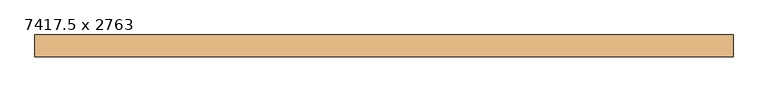
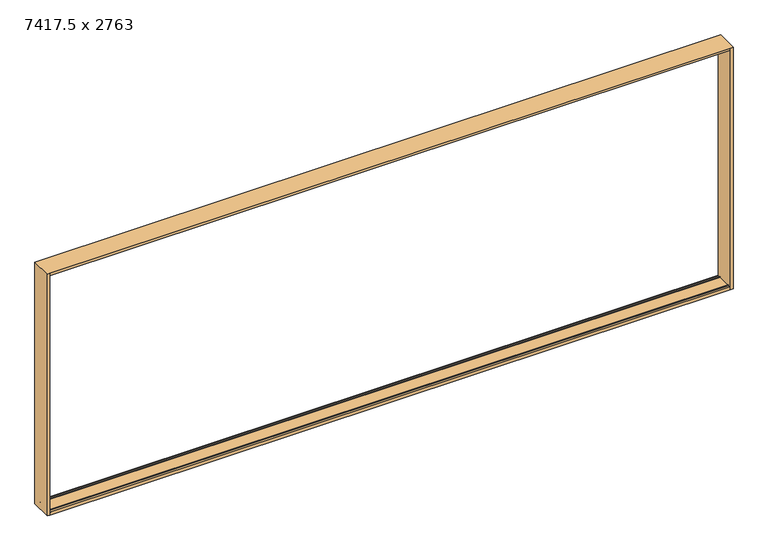
"""IFC4 building model written with IfcOpenShell, lengths in millimetres: door geometry, 7417.5 x 2763."""

from ifc_helpers import new_model, si_unit, frame, origin, place, context, project, spatial, circle_curve, source, transform, mapped, element, save
from ifc_brep_helpers import plane_surface, cylinder_surface, advanced_brep


def door_7417_5_x_2763_066a26f5(model_context):
    return source(origin(), model_context, "Body", "AdvancedBrep", [
        advanced_brep(
        [(3706.35, -130.25, 2732.0), (-3653.95, -130.25, 2732.0), (-3653.95, -130.25, 2706.0159868), (3706.35, -130.25, 2706.0159868), (-3653.95, -128.25, 2706.0159868), (3706.35, -128.25, 2706.0159868), (-3653.95, -128.25, 2712.0159868), (3706.35, -128.25, 2712.0159868), (-3653.95, -103.95, 2712.0159868), (3706.35, -103.95, 2712.0159868), (-3653.95, -103.95, 2700.1290667), (3706.35, -103.95, 2700.1290667), (-3653.95, -107.75, 2697.2655613), (3706.35, -107.75, 2697.2655613), (-3653.95, -107.75, 2694.524631), (3706.35, -107.75, 2694.524631), (-3653.95, -103.65, 2688.0159868), (3706.35, -103.65, 2688.0159868), (-3653.95, -101.75, 2688.0159868), (3706.35, -101.75, 2688.0159868), (-3653.95, -101.75, 2704.2159868), (3706.35, -101.75, 2704.2159868), (-3653.95, -83.75, 2704.2159868), (3706.35, -83.75, 2704.2159868), (-3653.95, -83.75, 2688.0159868), (3706.35, -83.75, 2688.0159868), (-3653.95, -81.85, 2688.0159868), (3706.35, -81.85, 2688.0159868), (-3653.95, -77.75, 2694.524631), (3706.35, -77.75, 2694.524631), (-3653.95, -77.75, 2704.2159868), (3706.35, -77.75, 2704.2159868), (3706.35, 0.25, 2704.2159868), (-3653.95, 0.25, 2704.2159868), (-3653.95, 18.45, 2704.2159868), (3706.35, 18.45, 2704.2159868), (-3653.95, 18.45, 2698.0187566), (3706.35, 18.45, 2698.0187566), (-3653.95, 48.25, 2698.0187566), (3706.35, 48.25, 2698.0187566), (-3653.95, 48.25, 2694.5159868), (3706.35, 48.25, 2694.5159868), (-3653.95, 52.05, 2689.0890244), (3706.35, 52.05, 2689.0890244), (-3653.95, 52.05, 2688.0159868), (3706.35, 52.05, 2688.0159868), (-3653.95, 54.25, 2688.0159868), (3706.35, 54.25, 2688.0159868), (-3653.95, 54.25, 2704.2159868), (3706.35, 54.25, 2704.2159868), (-3653.95, 72.25, 2704.2159868), (3706.35, 72.25, 2704.2159868), (-3653.95, 72.25, 2688.0159868), (3706.35, 72.25, 2688.0159868), (-3653.95, 74.15, 2688.0159868), (3706.35, 74.15, 2688.0159868), (-3653.95, 78.25, 2694.524631), (3706.35, 78.25, 2694.524631), (-3653.95, 78.25, 2712.0159868), (3706.35, 78.25, 2712.0159868), (-3653.95, 98.75, 2712.0159868), (3706.35, 98.75, 2712.0159868), (-3653.95, 98.75, 2693.0159868), (3706.35, 98.75, 2693.0159868), (-3653.95, 100.75, 2693.0159868), (3706.35, 100.75, 2693.0159868), (3706.35, 100.75, -7.0148685), (-3653.95, 100.75, -7.0148685), (-3653.95, 89.15, -6.0), (3706.35, 89.15, -6.0), (-3653.95, 65.7734213, -6.0), (3706.35, 65.7734213, -6.0), (-3653.95, 65.7734213, -2.4767803), (3706.35, 65.7734213, -2.4767803), (-3653.95, 60.7734213, -2.4767803), (3706.35, 60.7734213, -2.4767803), (-3653.95, 60.7734213, -6.0), (3706.35, 60.7734213, -6.0), (-3653.95, -90.2734213, -6.0), (3706.35, -90.2734213, -6.0), (-3653.95, -90.2734213, -2.4767803), (3706.35, -90.2734213, -2.4767803), (-3653.95, -95.2734213, -2.4767803), (3706.35, -95.2734213, -2.4767803), (-3653.95, -95.2734213, -6.0), (3706.35, -95.2734213, -6.0), (-3653.95, -128.45, -6.0), (3706.35, -128.45, -6.0), (-3653.95, -128.45, 0.0), (3706.35, -128.45, 0.0), (-3653.95, -130.25, 0.0), (3706.35, -130.25, 0.0), (-3653.95, -130.25, -31.0), (3706.35, -130.25, -31.0), (-3653.95, -59.55, 2704.2159868), (3706.35, -59.55, 2704.2159868), (-3653.95, -59.55, 2698.0159868), (3706.35, -59.55, 2698.0159868), (-3653.95, -29.75, 2698.0159868), (3706.35, -29.75, 2698.0159868), (-3653.95, -29.75, 2694.5), (3706.35, -29.75, 2694.5), (-3653.95, -25.198651, 2688.0), (3706.35, -25.198651, 2688.0), (-3653.95, -23.75, 2688.0), (3706.35, -23.75, 2688.0), (-3653.95, -23.75, 2704.2159868), (3706.35, -23.75, 2704.2159868), (-3653.95, -5.75, 2704.2159868), (3706.35, -5.75, 2704.2159868), (-3653.95, -5.75, 2688.0159868), (3706.35, -5.75, 2688.0159868), (-3653.95, -4.2901549, 2688.0159868), (3706.35, -4.2901549, 2688.0159868), (-3653.95, 0.25, 2694.5), (3706.35, 0.25, 2694.5), (-3682.55, -131.25, 2732.0), (-3653.95, -131.25, 2732.0), (3706.35, -131.25, 2732.0), (3734.95, -131.25, 2732.0), (3734.95, 100.75, 2732.0), (-3682.55, 100.75, 2732.0), (-3653.95, -131.25, -31.0), (-3682.55, -131.25, -31.0), (-3682.55, 100.75, -31.0), (3734.95, 100.75, -31.0), (3734.95, -131.25, -31.0), (3706.35, -131.25, -31.0)],
        [
            (0, 1),
            (1, 2),
            (2, 3),
            (3, 0),
            (2, 4),
            (4, 5),
            (5, 3),
            (4, 6),
            (6, 7),
            (7, 5),
            (6, 8),
            (8, 9),
            (9, 7),
            (8, 10),
            (10, 11),
            (11, 9),
            (10, 12),
            (12, 13),
            (13, 11),
            (12, 14),
            (14, 15),
            (15, 13),
            (14, 16),
            (16, 17),
            (17, 15),
            (16, 18),
            (18, 19),
            (19, 17),
            (18, 20),
            (20, 21),
            (21, 19),
            (20, 22),
            (22, 23),
            (23, 21),
            (22, 24),
            (24, 25),
            (25, 23),
            (24, 26),
            (26, 27),
            (27, 25),
            (26, 28),
            (28, 29),
            (29, 27),
            (28, 30),
            (30, 31),
            (31, 29),
            (32, 33),
            (33, 34),
            (34, 35),
            (35, 32),
            (34, 36),
            (36, 37),
            (37, 35),
            (36, 38),
            (38, 39),
            (39, 37),
            (38, 40),
            (40, 41),
            (41, 39),
            (40, 42),
            (42, 43),
            (43, 41),
            (42, 44),
            (44, 45),
            (45, 43),
            (44, 46),
            (46, 47),
            (47, 45),
            (46, 48),
            (48, 49),
            (49, 47),
            (48, 50),
            (50, 51),
            (51, 49),
            (50, 52),
            (52, 53),
            (53, 51),
            (52, 54),
            (54, 55),
            (55, 53),
            (54, 56),
            (56, 57),
            (57, 55),
            (56, 58),
            (58, 59),
            (59, 57),
            (58, 60),
            (60, 61),
            (61, 59),
            (60, 62),
            (62, 63),
            (63, 61),
            (64, 65),
            (65, 63),
            (62, 64),
            (66, 67),
            (67, 68),
            (68, 69),
            (69, 66),
            (68, 70),
            (70, 71),
            (71, 69),
            (70, 72),
            (72, 73),
            (73, 71),
            (72, 74, circle_curve(frame((-3653.95, 63.2734213, -2.4767803), z_axis=(1.0, 0.0, 0.0), x_axis=(0.0, 1.0, 0.0)), 2.5)),
            (74, 75),
            (75, 73, circle_curve(frame((3706.35, 63.2734213, -2.4767803), z_axis=(-1.0, 0.0, 0.0), x_axis=(0.0, 1.0, 0.0)), 2.5)),
            (74, 76),
            (76, 77),
            (77, 75),
            (76, 78),
            (78, 79),
            (79, 77),
            (78, 80),
            (80, 81),
            (81, 79),
            (80, 82, circle_curve(frame((-3653.95, -92.7734213, -2.4767803), z_axis=(1.0, 0.0, 0.0), x_axis=(0.0, 1.0, 0.0)), 2.5)),
            (82, 83),
            (83, 81, circle_curve(frame((3706.35, -92.7734213, -2.4767803), z_axis=(-1.0, 0.0, 0.0), x_axis=(0.0, 1.0, 0.0)), 2.5)),
            (82, 84),
            (84, 85),
            (85, 83),
            (84, 86),
            (86, 87),
            (87, 85),
            (86, 88),
            (88, 89),
            (89, 87),
            (88, 90),
            (90, 91),
            (91, 89),
            (92, 93),
            (93, 91),
            (90, 92),
            (30, 94),
            (94, 95),
            (95, 31),
            (94, 96),
            (96, 97),
            (97, 95),
            (96, 98),
            (98, 99),
            (99, 97),
            (98, 100),
            (100, 101),
            (101, 99),
            (100, 102),
            (102, 103),
            (103, 101),
            (102, 104),
            (104, 105),
            (105, 103),
            (104, 106),
            (106, 107),
            (107, 105),
            (106, 108),
            (108, 109),
            (109, 107),
            (108, 110),
            (110, 111),
            (111, 109),
            (110, 112),
            (112, 113),
            (113, 111),
            (112, 114),
            (114, 115),
            (115, 113),
            (32, 115),
            (114, 33),
            (116, 117),
            (117, 1),
            (0, 118),
            (118, 119),
            (119, 120),
            (120, 121),
            (121, 116),
            (122, 123),
            (123, 124),
            (124, 125),
            (125, 126),
            (126, 127),
            (127, 93),
            (92, 122),
            (120, 125),
            (124, 121),
            (66, 65),
            (64, 67),
            (123, 116),
            (122, 117),
            (127, 118),
            (126, 119),
        ],
        [
            plane_surface(frame((3734.95, -130.25, 2732.0), z_axis=(0.0, -1.0, 0.0), x_axis=(-1.0, 0.0, 0.0))),
            plane_surface(frame((3734.95, -130.25, 2706.0159868), z_axis=(0.0, 0.0, -1.0), x_axis=(-1.0, 0.0, 0.0))),
            plane_surface(frame((3734.95, -128.25, 2706.0159868), z_axis=(0.0, 1.0, 0.0), x_axis=(-1.0, 0.0, 0.0))),
            plane_surface(frame((3734.95, -128.25, 2712.0159868), z_axis=(0.0, 0.0, -1.0), x_axis=(-1.0, 0.0, 0.0))),
            plane_surface(frame((3734.95, -103.95, 2712.0159868), z_axis=(0.0, -1.0, 0.0), x_axis=(-1.0, 0.0, 0.0))),
            plane_surface(frame((3734.95, -103.95, 2700.1290667), z_axis=(0.0, -0.6018150231514272, 0.7986355100477608), x_axis=(-1.0, 0.0, 0.0))),
            plane_surface(frame((3734.95, -107.75, 2697.2655613), z_axis=(0.0, -1.0, 0.0), x_axis=(-1.0, 0.0, 0.0))),
            plane_surface(frame((3734.95, -107.75, 2694.524631), z_axis=(0.0, -0.8461176546357493, -0.5329961674474769), x_axis=(-1.0, 0.0, 0.0))),
            plane_surface(frame((3734.95, -103.65, 2688.0159868), z_axis=(0.0, 0.0, -1.0), x_axis=(-1.0, 0.0, 0.0))),
            plane_surface(frame((3734.95, -101.75, 2688.0159868), z_axis=(0.0, 1.0, 0.0), x_axis=(-1.0, 0.0, 0.0))),
            plane_surface(frame((3734.95, -101.75, 2704.2159868), z_axis=(0.0, 0.0, -1.0), x_axis=(-1.0, 0.0, 0.0))),
            plane_surface(frame((3734.95, -83.75, 2704.2159868), z_axis=(0.0, -1.0, 0.0), x_axis=(-1.0, 0.0, 0.0))),
            plane_surface(frame((3734.95, -83.75, 2688.0159868), z_axis=(0.0, 0.0, -1.0), x_axis=(-1.0, 0.0, 0.0))),
            plane_surface(frame((3734.95, -81.85, 2688.0159868), z_axis=(0.0, 0.846117654640233, -0.5329961674403593), x_axis=(-1.0, 0.0, 0.0))),
            plane_surface(frame((3734.95, -77.75, 2694.524631), z_axis=(0.0, 1.0, 0.0), x_axis=(-1.0, 0.0, 0.0))),
            plane_surface(frame((3734.95, 0.25, 2704.2159868), z_axis=(0.0, 0.0, -1.0), x_axis=(-1.0, 0.0, 0.0))),
            plane_surface(frame((3734.95, 18.45, 2704.2159868), z_axis=(0.0, -1.0, 0.0), x_axis=(-1.0, 0.0, 0.0))),
            plane_surface(frame((3734.95, 18.45, 2698.0187566), z_axis=(0.0, 0.0, -1.0), x_axis=(-1.0, 0.0, 0.0))),
            plane_surface(frame((3734.95, 48.25, 2698.0187566), z_axis=(0.0, -1.0, 0.0), x_axis=(-1.0, 0.0, 0.0))),
            plane_surface(frame((3734.95, 48.25, 2694.5159868), z_axis=(0.0, -0.8191520442892566, -0.5735764363506679), x_axis=(-1.0, 0.0, 0.0))),
            plane_surface(frame((3734.95, 52.05, 2689.0890244), z_axis=(0.0, -1.0, 0.0), x_axis=(-1.0, 0.0, 0.0))),
            plane_surface(frame((3734.95, 52.05, 2688.0159868), z_axis=(0.0, 0.0, -1.0), x_axis=(-1.0, 0.0, 0.0))),
            plane_surface(frame((3734.95, 54.25, 2688.0159868), z_axis=(0.0, 1.0, 0.0), x_axis=(-1.0, 0.0, 0.0))),
            plane_surface(frame((3734.95, 54.25, 2704.2159868), z_axis=(0.0, 0.0, -1.0), x_axis=(-1.0, 0.0, 0.0))),
            plane_surface(frame((3734.95, 72.25, 2704.2159868), z_axis=(0.0, -1.0, 0.0), x_axis=(-1.0, 0.0, 0.0))),
            plane_surface(frame((3734.95, 72.25, 2688.0159868), z_axis=(0.0, 0.0, -1.0), x_axis=(-1.0, 0.0, 0.0))),
            plane_surface(frame((3734.95, 74.15, 2688.0159868), z_axis=(0.0, 0.8461176546360692, -0.532996167446969), x_axis=(-1.0, 0.0, 0.0))),
            plane_surface(frame((3734.95, 78.25, 2694.524631), z_axis=(0.0, 1.0, 0.0), x_axis=(-1.0, 0.0, 0.0))),
            plane_surface(frame((3734.95, 78.25, 2712.0159868), z_axis=(0.0, 0.0, -1.0), x_axis=(-1.0, 0.0, 0.0))),
            plane_surface(frame((3734.95, 98.75, 2712.0159868), z_axis=(0.0, -1.0, 0.0), x_axis=(-1.0, 0.0, 0.0))),
            plane_surface(frame((3734.95, 98.75, 2693.0159868), z_axis=(0.0, 0.0, -1.0), x_axis=(-1.0, 0.0, 0.0))),
            plane_surface(frame((3734.95, 100.75, -7.0148685), z_axis=(0.0, 0.0871557427481536, 0.9961946980917022), x_axis=(-1.0, 0.0, 0.0))),
            plane_surface(frame((3734.95, 89.15, -6.0), z_axis=(0.0, 0.0, 1.0), x_axis=(-1.0, 0.0, 0.0))),
            plane_surface(frame((3734.95, 65.7734213, -6.0), z_axis=(0.0, 1.0, 0.0), x_axis=(-1.0, 0.0, 0.0))),
            cylinder_surface(frame((-33.6380547, 63.2734213, -2.4767803), z_axis=(1.0, 0.0, 0.0), x_axis=(0.0, 1.0, 0.0)), 2.5),
            plane_surface(frame((3734.95, 60.7734213, -2.4767803), z_axis=(0.0, -1.0, 0.0), x_axis=(-1.0, 0.0, 0.0))),
            plane_surface(frame((3734.95, 60.7734213, -6.0), z_axis=(0.0, 0.0, 1.0), x_axis=(-1.0, 0.0, 0.0))),
            plane_surface(frame((3734.95, -90.2734213, -6.0), z_axis=(0.0, 1.0, 0.0), x_axis=(-1.0, 0.0, 0.0))),
            cylinder_surface(frame((-33.6380547, -92.7734213, -2.4767803), z_axis=(1.0, 0.0, 0.0), x_axis=(0.0, 1.0, 0.0)), 2.5),
            plane_surface(frame((3734.95, -95.2734213, -2.4767803), z_axis=(0.0, -1.0, 0.0), x_axis=(-1.0, 0.0, 0.0))),
            plane_surface(frame((3734.95, -95.2734213, -6.0), z_axis=(0.0, 0.0, 1.0), x_axis=(-1.0, 0.0, 0.0))),
            plane_surface(frame((3734.95, -128.45, -6.0), z_axis=(0.0, 1.0, 0.0), x_axis=(-1.0, 0.0, 0.0))),
            plane_surface(frame((3734.95, -128.45, 0.0), z_axis=(0.0, 0.0, 1.0), x_axis=(-1.0, 0.0, 0.0))),
            plane_surface(frame((3734.95, -130.25, 0.0), z_axis=(0.0, -1.0, 0.0), x_axis=(-1.0, 0.0, 0.0))),
            plane_surface(frame((3734.95, -77.75, 2704.2159868), z_axis=(0.0, 0.0, -1.0), x_axis=(-1.0, 0.0, 0.0))),
            plane_surface(frame((3734.95, -59.55, 2704.2159868), z_axis=(0.0, -1.0, 0.0), x_axis=(-1.0, 0.0, 0.0))),
            plane_surface(frame((3734.95, -59.55, 2698.0159868), z_axis=(0.0, 0.0, -1.0), x_axis=(-1.0, 0.0, 0.0))),
            plane_surface(frame((3734.95, -29.75, 2698.0159868), z_axis=(0.0, -1.0, 0.0), x_axis=(-1.0, 0.0, 0.0))),
            plane_surface(frame((3734.95, -29.75, 2694.5), z_axis=(0.0, -0.8191520442892483, -0.5735764363506798), x_axis=(-1.0, 0.0, 0.0))),
            plane_surface(frame((3734.95, -25.198651, 2688.0), z_axis=(0.0, 0.0, -1.0), x_axis=(-1.0, 0.0, 0.0))),
            plane_surface(frame((3734.95, -23.75, 2688.0), z_axis=(0.0, 1.0, 0.0), x_axis=(-1.0, 0.0, 0.0))),
            plane_surface(frame((3734.95, -23.75, 2704.2159868), z_axis=(0.0, 0.0, -1.0), x_axis=(-1.0, 0.0, 0.0))),
            plane_surface(frame((3734.95, -5.75, 2704.2159868), z_axis=(0.0, -1.0, 0.0), x_axis=(-1.0, 0.0, 0.0))),
            plane_surface(frame((3734.95, -5.75, 2688.0159868), z_axis=(0.0, 0.0, -1.0), x_axis=(-1.0, 0.0, 0.0))),
            plane_surface(frame((3734.95, -4.2901549, 2688.0159868), z_axis=(0.0, 0.8191520442889518, -0.5735764363511032), x_axis=(-1.0, 0.0, 0.0))),
            plane_surface(frame((3734.95, 0.25, 2694.5), z_axis=(0.0, 1.0, 0.0), x_axis=(-1.0, 0.0, 0.0))),
            plane_surface(frame((-3682.55, 100.75, 2732.0), z_axis=(0.0, 0.0, 1.0), x_axis=(-1.0, 0.0, 0.0))),
            plane_surface(frame((-3682.55, 100.75, -31.0), z_axis=(0.0, 0.0, -1.0), x_axis=(1.0, 0.0, 0.0))),
            plane_surface(frame((-3653.95, 100.75, 2732.0), z_axis=(0.0, 1.0, 0.0), x_axis=(0.0, 0.0, -1.0))),
            plane_surface(frame((-3682.55, 100.75, 2732.0), z_axis=(-1.0, 0.0, 0.0), x_axis=(0.0, 0.0, -1.0))),
            plane_surface(frame((-3682.55, -131.25, 2732.0), z_axis=(0.0, -1.0, 0.0), x_axis=(0.0, 0.0, -1.0))),
            plane_surface(frame((-3653.95, -131.25, 2732.0), z_axis=(1.0, 0.0, 0.0), x_axis=(0.0, 0.0, -1.0))),
            plane_surface(frame((3706.35, 100.75, 2732.0), z_axis=(-1.0, 0.0, 0.0), x_axis=(0.0, 0.0, -1.0))),
            plane_surface(frame((3706.35, -131.25, 2732.0), z_axis=(0.0, -1.0, 0.0), x_axis=(0.0, 0.0, -1.0))),
            plane_surface(frame((3734.95, -131.25, 2732.0), z_axis=(1.0, 0.0, 0.0), x_axis=(0.0, 0.0, -1.0))),
        ],
        [
            (0, [[1, 2, 3, 4]]),
            (1, [[-3, 5, 6, 7]]),
            (2, [[-6, 8, 9, 10]]),
            (3, [[-9, 11, 12, 13]]),
            (4, [[-12, 14, 15, 16]]),
            (5, [[-15, 17, 18, 19]]),
            (6, [[-18, 20, 21, 22]]),
            (7, [[-21, 23, 24, 25]]),
            (8, [[-24, 26, 27, 28]]),
            (9, [[-27, 29, 30, 31]]),
            (10, [[-30, 32, 33, 34]]),
            (11, [[-33, 35, 36, 37]]),
            (12, [[-36, 38, 39, 40]]),
            (13, [[-39, 41, 42, 43]]),
            (14, [[-42, 44, 45, 46]]),
            (15, [[47, 48, 49, 50]]),
            (16, [[-49, 51, 52, 53]]),
            (17, [[-52, 54, 55, 56]]),
            (18, [[-55, 57, 58, 59]]),
            (19, [[-58, 60, 61, 62]]),
            (20, [[-61, 63, 64, 65]]),
            (21, [[-64, 66, 67, 68]]),
            (22, [[-67, 69, 70, 71]]),
            (23, [[-70, 72, 73, 74]]),
            (24, [[-73, 75, 76, 77]]),
            (25, [[-76, 78, 79, 80]]),
            (26, [[-79, 81, 82, 83]]),
            (27, [[-82, 84, 85, 86]]),
            (28, [[-85, 87, 88, 89]]),
            (29, [[-88, 90, 91, 92]]),
            (30, [[93, 94, -91, 95]]),
            (31, [[96, 97, 98, 99]]),
            (32, [[-98, 100, 101, 102]]),
            (33, [[-101, 103, 104, 105]]),
            (34, [[-104, 106, 107, 108]]),
            (35, [[-107, 109, 110, 111]]),
            (36, [[-110, 112, 113, 114]]),
            (37, [[-113, 115, 116, 117]]),
            (38, [[-116, 118, 119, 120]]),
            (39, [[-119, 121, 122, 123]]),
            (40, [[-122, 124, 125, 126]]),
            (41, [[-125, 127, 128, 129]]),
            (42, [[-128, 130, 131, 132]]),
            (43, [[133, 134, -131, 135]]),
            (44, [[-45, 136, 137, 138]]),
            (45, [[-137, 139, 140, 141]]),
            (46, [[-140, 142, 143, 144]]),
            (47, [[-143, 145, 146, 147]]),
            (48, [[-146, 148, 149, 150]]),
            (49, [[-149, 151, 152, 153]]),
            (50, [[-152, 154, 155, 156]]),
            (51, [[-155, 157, 158, 159]]),
            (52, [[-158, 160, 161, 162]]),
            (53, [[-161, 163, 164, 165]]),
            (54, [[-164, 166, 167, 168]]),
            (55, [[-47, 169, -167, 170]]),
            (56, [[171, 172, -1, 173, 174, 175, 176, 177]]),
            (57, [[178, 179, 180, 181, 182, 183, -133, 184]]),
            (58, [[-176, 185, -180, 186], [-96, 187, -93, 188]]),
            (59, [[-186, -179, 189, -177]]),
            (60, [[-171, -189, -178, 190]]),
            (61, [[-190, -184, -135, -130, -127, -124, -121, -118, -115, -112, -109, -106, -103, -100, -97, -188, -95, -90, -87, -84, -81, -78, -75, -72, -69, -66, -63, -60, -57, -54, -51, -48, -170, -166, -163, -160, -157, -154, -151, -148, -145, -142, -139, -136, -44, -41, -38, -35, -32, -29, -26, -23, -20, -17, -14, -11, -8, -5, -2, -172]]),
            (62, [[191, -173, -4, -7, -10, -13, -16, -19, -22, -25, -28, -31, -34, -37, -40, -43, -46, -138, -141, -144, -147, -150, -153, -156, -159, -162, -165, -168, -169, -50, -53, -56, -59, -62, -65, -68, -71, -74, -77, -80, -83, -86, -89, -92, -94, -187, -99, -102, -105, -108, -111, -114, -117, -120, -123, -126, -129, -132, -134, -183]]),
            (63, [[-174, -191, -182, 192]]),
            (64, [[-185, -175, -192, -181]]),
        ],
    ),
    ])


if __name__ == "__main__":
    model = new_model("IFC4")
    model_context = context("Model", 3, world=origin())
    ifc_project = project(units=[si_unit("LENGTHUNIT", "METRE", prefix="MILLI")], contexts=[model_context])
    site = spatial("IfcSite", under=ifc_project)
    building = spatial("IfcBuilding", under=site)
    placement = place(None, origin())
    door_7417_5_x_2763_shape = door_7417_5_x_2763_066a26f5(model_context)
    element("IfcDoor", 1, ObjectType="7417.5 x 2763", at=placement, inside=building, context=model_context, shape_type="MappedRepresentation", body=[
        mapped(door_7417_5_x_2763_shape, transform((0.0, 0.0, 0.0), x_axis=(1.0, 0.0, 0.0), y_axis=(0.0, 1.0, 0.0), z_axis=(0.0, 0.0, 1.0))),
    ])
    save(model, "model.ifc")
